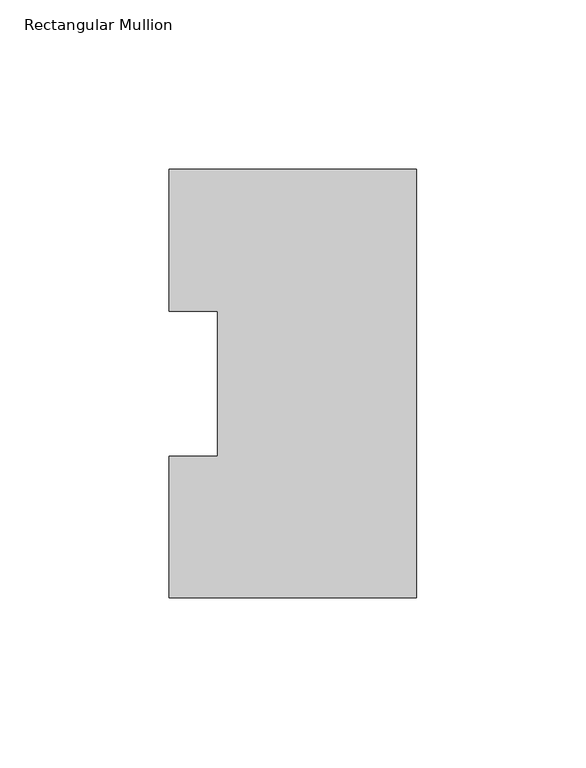
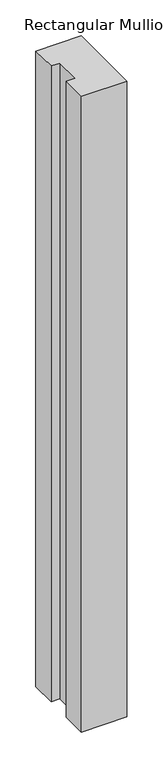
"""IFC4 building model written with IfcOpenShell, lengths in millimetres: member geometry, Rectangular Mullion."""

from ifc_helpers import new_model, si_unit, frame, origin, place, context, project, spatial, polyline, outline, extrude, source, transform, mapped, element, save


def rectangular_mullion_73ba416e(model_context):
    return source(origin(), model_context, "Body", "SweptSolid", [
        extrude(outline(polyline([(0.0, 126.4546937), (0.0, -0.0373063), (-73.025, -0.0373063), (-73.025, 41.7837937), (-58.7375, 41.7837937), (-58.7375, 84.6335938), (-73.025, 84.6335938), (-73.025, 126.4546937), (0.0, 126.4546937)])), frame((0.0, 0.0, -1079.2086938), z_axis=(0.0, 0.0, 1.0), x_axis=(1.0, 0.0, 0.0)), (0.0, 0.0, 1.0), 1079.2086938),
    ])


if __name__ == "__main__":
    model = new_model("IFC4")
    model_context = context("Model", 3, world=origin())
    ifc_project = project(units=[si_unit("LENGTHUNIT", "METRE", prefix="MILLI")], contexts=[model_context])
    site = spatial("IfcSite", under=ifc_project)
    building = spatial("IfcBuilding", under=site)
    placement = place(None, origin())
    rectangular_mullion_shape = rectangular_mullion_73ba416e(model_context)
    element("IfcMember", 1, ObjectType="Rectangular Mullion", at=placement, inside=building, context=model_context, shape_type="MappedRepresentation", body=[
        mapped(rectangular_mullion_shape, transform((0.0, 0.0, 0.0), x_axis=(1.0, 0.0, 0.0), y_axis=(0.0, 1.0, 0.0), z_axis=(0.0, 0.0, 1.0))),
    ])
    save(model, "model.ifc")
